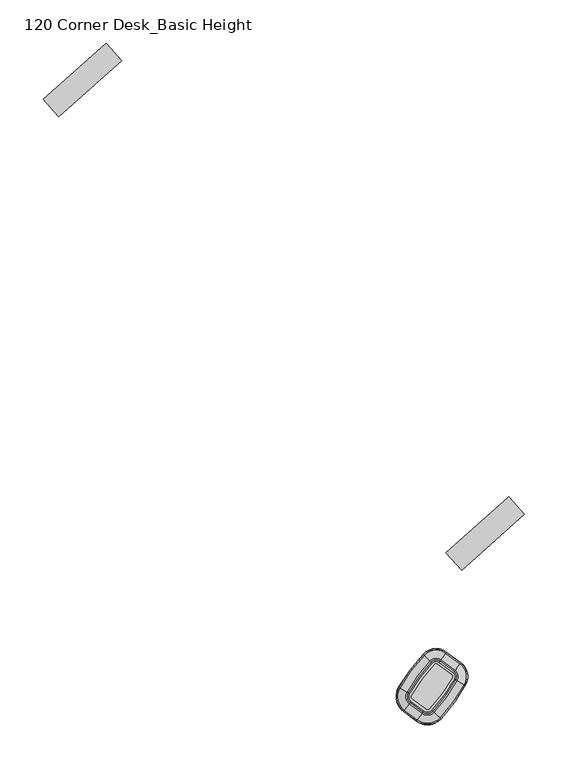
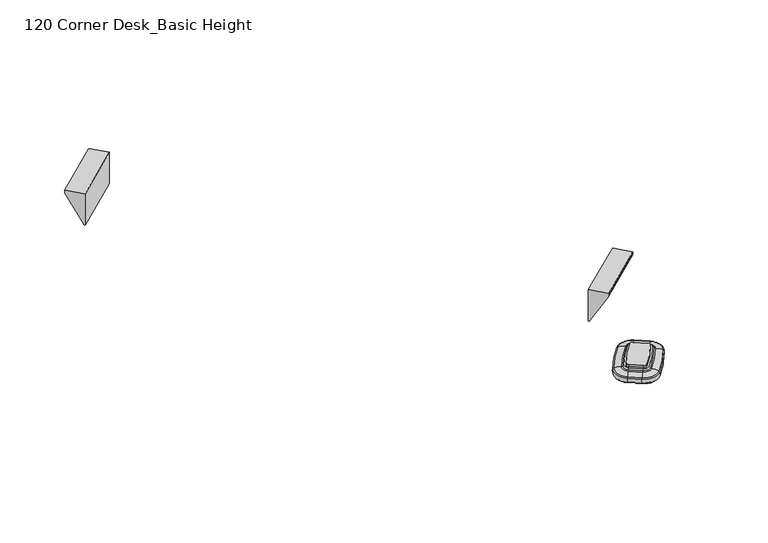
"""IFC4 building model written with IfcOpenShell, lengths in millimetres: furniture geometry, 120 Corner Desk_Basic Height."""

from ifc_helpers import new_model, si_unit, point, frame, frame_2d, origin, place, context, project, spatial, polyline, circle_curve, ellipse_curve, trimmed, segment, composite_curve, outline, extrude, source, transform, mapped, element, save
from ifc_brep_helpers import plane_surface, cylinder_surface, revolved_surface, advanced_brep


def furniture_120_corner_desk_basic_height_ebb7adcc(model_context):
    return source(origin(), model_context, "Body", "SolidModel", [
        extrude(outline(composite_curve([segment(trimmed(circle_curve(frame_2d((1459.7944338, -214.8559369)), 2.54), [point((1457.9323056, -213.1284884))], [point((1461.297453, -212.8083693))], False, "CARTESIAN"), True, "CONTINUOUS"), segment(polyline([(1461.297453, -212.8083693), (1477.9205752, -225.0105898)]), True, "CONTINUOUS"), segment(trimmed(circle_curve(frame_2d((1476.417556, -227.0581574)), 2.54), [point((1477.9205752, -225.0105898))], [point((1478.6236637, -228.3170018))], False, "CARTESIAN"), True, "CONTINUOUS"), segment(trimmed(circle_curve(frame_2d((1305.0007056, -129.2446472)), 199.9006328), [point((1478.6236637, -228.3170018))], [point((1452.8594397, -263.7736692))], False, "CARTESIAN"), True, "CONTINUOUS"), segment(trimmed(circle_curve(frame_2d((1450.0413307, -261.2096174)), 3.81), [point((1452.8594397, -263.7736692))], [point((1447.7868019, -264.2809689))], False, "CARTESIAN"), True, "CONTINUOUS"), segment(polyline([(1447.7868019, -264.2809689), (1432.8627746, -253.3259708)]), True, "CONTINUOUS"), segment(trimmed(circle_curve(frame_2d((1435.1173034, -250.2546194)), 3.81), [point((1432.8627746, -253.3259708))], [point((1431.8265492, -248.3344536))], False, "CARTESIAN"), True, "CONTINUOUS"), segment(trimmed(circle_curve(frame_2d((1604.4837287, -349.0804777)), 199.9006328), [point((1431.8265492, -248.3344536))], [point((1457.9323056, -213.1284884))], False, "CARTESIAN"), True, "CONTINUOUS")], self_intersect=False)), frame((0.0, 0.0, 695.6719265), z_axis=(0.0, 0.0, 1.0), x_axis=(1.0, 0.0, 0.0)), (0.0, 0.0, 1.0), 2.9994778),
        advanced_brep(
        [(1461.297453, -212.8083693, 679.17195), (1461.297453, -212.8083693, 695.6719265), (1457.9323056, -213.1284884, 695.6719265), (1457.9323056, -213.1284884, 679.17195), (1469.7966702, -201.2298598, 680.9412486), (1463.1863964, -210.2350559, 679.17195), (1455.5920461, -210.9574899, 679.17195), (1447.4024119, -203.3601767, 680.9412486), (1471.1741853, -199.3532667, 682.4709063), (1445.6957738, -201.7769724, 682.4709063), (1471.6850128, -198.6573648, 689.5016248), (1445.0628968, -201.1898686, 689.5016248), (1470.8410339, -199.80712, 690.8023206), (1446.1085235, -202.1598697, 690.8023206), (1465.3030456, -207.3515383, 692.9047158), (1452.9696763, -208.5247848, 692.9047158), (1464.2118768, -208.8380409, 693.8442812), (1454.3215527, -209.7788858, 693.8442812), (1463.1863964, -210.2350559, 695.6719265), (1455.5920461, -210.9574899, 695.6719265), (1477.9205752, -225.0105898, 679.17195), (1477.9205752, -225.0105898, 695.6719265), (1486.4197924, -213.4320803, 680.9412486), (1479.8095187, -222.4372764, 679.17195), (1487.7973075, -211.5554872, 682.4709063), (1488.3081351, -210.8595853, 689.5016248), (1487.4641561, -212.0093405, 690.8023206), (1481.9261678, -219.5537588, 692.9047158), (1480.834999, -221.0402614, 693.8442812), (1479.8095187, -222.4372764, 695.6719265), (1478.6236637, -228.3170018, 679.17195), (1478.6236637, -228.3170018, 695.6719265), (1491.0986792, -235.435468, 680.9412486), (1481.3962247, -229.8990745, 679.17195), (1493.120574, -236.5891972, 682.4709063), (1493.8703585, -237.0170376, 689.5016248), (1492.6315796, -236.3101683, 690.8023206), (1484.5030086, -231.6718608, 692.9047158), (1482.9014085, -230.7579592, 693.8442812), (1481.3962247, -229.8990745, 695.6719265), (1452.8594397, -263.7736692, 679.17195), (1452.8594397, -263.7736692, 695.6719265), (1463.4832652, -273.439739, 680.9412486), (1455.2205754, -265.9219446, 679.17195), (1465.2051274, -275.0063724, 682.4709063), (1465.84365, -275.5873312, 689.5016248), (1464.7886957, -274.6274828, 690.8023206), (1457.8663381, -268.3291873, 692.9047158), (1456.5024022, -267.0882125, 693.8442812), (1455.2205754, -265.9219446, 695.6719265), (1447.7868019, -264.2809689, 679.17195), (1447.7868019, -264.2809689, 695.6719265), (1439.2875847, -275.8594784, 680.9412486), (1445.8978585, -266.8542823, 679.17195), (1437.9100696, -277.7360714, 682.4709063), (1437.3992421, -278.4319733, 689.5016248), (1438.243221, -277.2822182, 690.8023206), (1443.7812093, -269.7377998, 692.9047158), (1444.8723781, -268.2512973, 693.8442812), (1445.8978585, -266.8542823, 695.6719265), (1432.8627746, -253.3259708, 679.17195), (1432.8627746, -253.3259708, 695.6719265), (1424.3635575, -264.9044803, 680.9412486), (1430.9738312, -255.8992842, 679.17195), (1422.9860423, -266.7810734, 682.4709063), (1422.4752148, -267.4769753, 689.5016248), (1423.3191938, -266.3272202, 690.8023206), (1428.8571821, -258.7828018, 692.9047158), (1429.9483509, -257.2962992, 693.8442812), (1430.9738312, -255.8992842, 695.6719265), (1431.8265492, -248.3344536, 679.17195), (1431.8265492, -248.3344536, 695.6719265), (1419.420926, -241.0957322, 680.9412486), (1429.0694105, -246.7256542, 679.17195), (1417.410278, -239.9225126, 682.4709063), (1416.6646642, -239.4874445, 689.5016248), (1417.8965524, -240.2062553, 690.8023206), (1425.9799081, -244.9229196, 692.9047158), (1427.5725994, -245.8522601, 693.8442812), (1429.0694105, -246.7256542, 695.6719265)],
        [
            (0, 1),
            (1, 2, circle_curve(frame((1459.7944338, -214.8559369, 695.6719265), z_axis=(0.0, 0.0, 1.0), x_axis=(-0.7331213567630526, 0.6800978431504551, 0.0)), 2.54)),
            (2, 3),
            (3, 0, circle_curve(frame((1459.7944338, -214.8559369, 679.17195), z_axis=(0.0, 0.0, -1.0), x_axis=(-0.7331213567630526, 0.6800978431504551, 0.0)), 2.54)),
            (4, 5, circle_curve(frame((1463.1863964, -210.2350559, 715.3217807), z_axis=(-0.8061289955728238, 0.5917398435940833, 0.0), x_axis=(-0.5917398435940833, -0.8061289955728238, 0.0)), 36.1498307)),
            (5, 6, circle_curve(frame((1459.7944338, -214.8559369, 679.17195), z_axis=(0.0, 0.0, 1.0), x_axis=(-0.7331213567630526, 0.6800978431504551, 0.0)), 5.7321856)),
            (6, 7, circle_curve(frame((1455.5920461, -210.9574899, 715.3217807), z_axis=(0.6800978431504432, 0.7331213567630637, 0.0), x_axis=(0.7331213567630637, -0.6800978431504432, 0.0)), 36.1498307)),
            (7, 4, circle_curve(frame((1459.7944338, -214.8559369, 680.9412486), z_axis=(0.0, 0.0, -1.0), x_axis=(-0.7331213567630526, 0.6800978431504551, 0.0)), 16.9030977)),
            (8, 4, circle_curve(frame((1468.8320667, -202.543942, 685.9582238), z_axis=(-0.8061289955728238, 0.5917398435940833, 0.0), x_axis=(-0.5917398435940833, -0.8061289955728238, 0.0)), 5.2751599)),
            (7, 9, circle_curve(frame((1448.5974833, -204.4688137, 685.9582238), z_axis=(0.6800978431504432, 0.7331213567630637, 0.0), x_axis=(0.7331213567630637, -0.6800978431504432, 0.0)), 5.2751599)),
            (9, 8, circle_curve(frame((1459.7944338, -214.8559369, 682.4709063), z_axis=(0.0, 0.0, -1.0), x_axis=(-0.7331213567630526, 0.6800978431504551, 0.0)), 19.2310044)),
            (10, 8, circle_curve(frame((1463.9496274, -209.1953041, 687.5383413), z_axis=(-0.8061289955728238, 0.5917398435940833, 0.0), x_axis=(-0.5917398435940833, -0.8061289955728238, 0.0)), 13.2188817)),
            (9, 11, circle_curve(frame((1454.6464601, -210.0802941, 687.5383413), z_axis=(0.6800978431504432, 0.7331213567630637, 0.0), x_axis=(0.7331213567630637, -0.6800978431504432, 0.0)), 13.2188817)),
            (11, 10, circle_curve(frame((1459.7944338, -214.8559369, 689.5016248), z_axis=(0.0, 0.0, -1.0), x_axis=(-0.7331213567630526, 0.6800978431504551, 0.0)), 20.0942681)),
            (12, 10, circle_curve(frame((1470.0825269, -200.8404364, 687.9644178), z_axis=(-0.8061289955728238, 0.5917398435940833, 0.0), x_axis=(-0.5917398435940833, -0.8061289955728238, 0.0)), 3.1139634)),
            (11, 13, circle_curve(frame((1447.0482569, -203.0316362, 687.9644178), z_axis=(0.6800978431504432, 0.7331213567630637, 0.0), x_axis=(0.7331213567630637, -0.6800978431504432, 0.0)), 3.1139634)),
            (13, 12, circle_curve(frame((1459.7944338, -214.8559369, 690.8023206), z_axis=(0.0, 0.0, -1.0), x_axis=(-0.7331213567630526, 0.6800978431504551, 0.0)), 18.6680011)),
            (14, 12, circle_curve(frame((1465.0542468, -207.6904777, 669.1514467), z_axis=(-0.8061289955728235, 0.5917398435940838, 0.0), x_axis=(-0.5917398435940838, -0.8061289955728235, 0.0)), 23.7569901)),
            (13, 15, circle_curve(frame((1453.2779194, -208.810734, 669.1514467), z_axis=(0.6800978431504432, 0.7331213567630637, 0.0), x_axis=(0.7331213567630637, -0.6800978431504432, 0.0)), 23.7569901)),
            (15, 14, circle_curve(frame((1459.7944338, -214.8559369, 692.9047158), z_axis=(0.0, 0.0, -1.0), x_axis=(-0.7331213567630526, 0.6800978431504551, 0.0)), 9.3091784)),
            (16, 14),
            (15, 17),
            (17, 16, circle_curve(frame((1459.7944338, -214.8559369, 693.8442812), z_axis=(0.0, 0.0, -1.0), x_axis=(-0.7331213567630526, 0.6800978431504551, 0.0)), 7.4651775)),
            (18, 16),
            (17, 19),
            (19, 18, circle_curve(frame((1459.7944338, -214.8559369, 695.6719265), z_axis=(0.0, 0.0, -1.0), x_axis=(-0.7331213567630526, 0.6800978431504551, 0.0)), 5.7321856)),
            (0, 20),
            (20, 21),
            (21, 1),
            (4, 22),
            (22, 23, circle_curve(frame((1479.8095187, -222.4372764, 715.3217807), z_axis=(-0.8061289955728254, 0.5917398435940813, 0.0), x_axis=(-0.5917398435940813, -0.8061289955728254, 0.0)), 36.1498307)),
            (23, 5),
            (8, 24),
            (24, 22, circle_curve(frame((1485.455189, -214.7461625, 685.9582238), z_axis=(-0.8061289955728254, 0.5917398435940813, 0.0), x_axis=(-0.5917398435940813, -0.8061289955728254, 0.0)), 5.2751599)),
            (10, 25),
            (25, 24, circle_curve(frame((1480.5727496, -221.3975246, 687.5383413), z_axis=(-0.8061289955728254, 0.5917398435940813, 0.0), x_axis=(-0.5917398435940813, -0.8061289955728254, 0.0)), 13.2188817)),
            (12, 26),
            (26, 25, circle_curve(frame((1486.7056491, -213.0426569, 687.9644178), z_axis=(-0.8061289955728254, 0.5917398435940813, 0.0), x_axis=(-0.5917398435940813, -0.8061289955728254, 0.0)), 3.1139634)),
            (14, 27),
            (27, 26, circle_curve(frame((1481.677369, -219.8926982, 669.1514467), z_axis=(-0.8061289955728254, 0.5917398435940813, 0.0), x_axis=(-0.5917398435940813, -0.8061289955728254, 0.0)), 23.7569901)),
            (16, 28),
            (28, 27),
            (18, 29),
            (29, 28),
            (30, 31),
            (31, 21, circle_curve(frame((1476.417556, -227.0581574, 695.6719265), z_axis=(0.0, 0.0, 1.0), x_axis=(0.5917398435940958, 0.8061289955728147, 0.0)), 2.54)),
            (20, 30, circle_curve(frame((1476.417556, -227.0581574, 679.17195), z_axis=(0.0, 0.0, -1.0), x_axis=(0.5917398435940958, 0.8061289955728147, 0.0)), 2.54)),
            (32, 33, circle_curve(frame((1481.3962247, -229.8990745, 715.3217807), z_axis=(0.4956080089430083, 0.8685463150987096, 0.0), x_axis=(-0.8685463150987096, 0.4956080089430083, 0.0)), 36.1498307)),
            (33, 23, circle_curve(frame((1476.417556, -227.0581574, 679.17195), z_axis=(0.0, 0.0, 1.0), x_axis=(0.5917398435940958, 0.8061289955728147, 0.0)), 5.7321856)),
            (22, 32, circle_curve(frame((1476.417556, -227.0581574, 680.9412486), z_axis=(0.0, 0.0, -1.0), x_axis=(0.5917398435940958, 0.8061289955728147, 0.0)), 16.9030977)),
            (34, 32, circle_curve(frame((1489.6828497, -234.6275704, 685.9582238), z_axis=(0.4956080089430085, 0.8685463150987095, 0.0), x_axis=(-0.8685463150987095, 0.4956080089430085, 0.0)), 5.2751599)),
            (24, 34, circle_curve(frame((1476.417556, -227.0581574, 682.4709063), z_axis=(0.0, 0.0, -1.0), x_axis=(0.5917398435940958, 0.8061289955728147, 0.0)), 19.2310044)),
            (35, 34, circle_curve(frame((1482.5164829, -230.5383138, 687.5383413), z_axis=(0.4956080089430085, 0.8685463150987095, 0.0), x_axis=(-0.8685463150987095, 0.4956080089430085, 0.0)), 13.2188817)),
            (25, 35, circle_curve(frame((1476.417556, -227.0581574, 689.5016248), z_axis=(0.0, 0.0, -1.0), x_axis=(0.5917398435940958, 0.8061289955728147, 0.0)), 20.0942681)),
            (36, 35, circle_curve(frame((1491.5182551, -235.6748855, 687.9644178), z_axis=(0.4956080089430083, 0.8685463150987096, 0.0), x_axis=(-0.8685463150987096, 0.4956080089430083, 0.0)), 3.1139634)),
            (26, 36, circle_curve(frame((1476.417556, -227.0581574, 690.8023206), z_axis=(0.0, 0.0, -1.0), x_axis=(0.5917398435940958, 0.8061289955728147, 0.0)), 18.6680011)),
            (37, 36, circle_curve(frame((1484.1378257, -231.4634809, 669.1514467), z_axis=(0.49560800894300816, 0.8685463150987097, 0.0), x_axis=(-0.8685463150987097, 0.49560800894300816, 0.0)), 23.7569901)),
            (27, 37, circle_curve(frame((1476.417556, -227.0581574, 692.9047158), z_axis=(0.0, 0.0, -1.0), x_axis=(0.5917398435940958, 0.8061289955728147, 0.0)), 9.3091784)),
            (38, 37),
            (28, 38, circle_curve(frame((1476.417556, -227.0581574, 693.8442812), z_axis=(0.0, 0.0, -1.0), x_axis=(0.5917398435940958, 0.8061289955728147, 0.0)), 7.4651775)),
            (39, 38),
            (29, 39, circle_curve(frame((1476.417556, -227.0581574, 695.6719265), z_axis=(0.0, 0.0, -1.0), x_axis=(0.5917398435940958, 0.8061289955728147, 0.0)), 5.7321856)),
            (40, 41),
            (41, 31, circle_curve(frame((1305.0007056, -129.2446472, 695.6719265), z_axis=(0.0, 0.0, 1.0), x_axis=(0.8685463150987014, -0.4956080089430229, 0.0)), 199.9006328)),
            (30, 40, circle_curve(frame((1305.0007056, -129.2446472, 679.17195), z_axis=(0.0, 0.0, -1.0), x_axis=(0.8685463150987014, -0.4956080089430229, 0.0)), 199.9006328)),
            (42, 43, circle_curve(frame((1455.2205754, -265.9219446, 715.3217807), z_axis=(0.6729794704009864, 0.7396611605450216, 0.0), x_axis=(-0.7396611605450216, 0.6729794704009864, 0.0)), 36.1498307)),
            (43, 33, circle_curve(frame((1305.0007056, -129.2446472, 679.17195), z_axis=(0.0, 0.0, 1.0), x_axis=(0.8685463150987014, -0.4956080089430229, 0.0)), 203.0928185)),
            (32, 42, circle_curve(frame((1305.0007056, -129.2446472, 680.9412486), z_axis=(0.0, 0.0, -1.0), x_axis=(0.8685463150987014, -0.4956080089430229, 0.0)), 214.2637305)),
            (44, 42, circle_curve(frame((1462.2775331, -272.3427057, 685.9582238), z_axis=(0.6729794704009839, 0.7396611605450238, 0.0), x_axis=(-0.7396611605450238, 0.6729794704009839, 0.0)), 5.2751599)),
            (34, 44, circle_curve(frame((1305.0007056, -129.2446472, 682.4709063), z_axis=(0.0, 0.0, -1.0), x_axis=(0.8685463150987014, -0.4956080089430229, 0.0)), 216.5916372)),
            (45, 44, circle_curve(frame((1456.1745965, -266.789959, 687.5383413), z_axis=(0.672979470400983, 0.7396611605450246, 0.0), x_axis=(-0.7396611605450246, 0.672979470400983, 0.0)), 13.2188817)),
            (35, 45, circle_curve(frame((1305.0007056, -129.2446472, 689.5016248), z_axis=(0.0, 0.0, -1.0), x_axis=(0.8685463150987014, -0.4956080089430229, 0.0)), 217.4549009)),
            (46, 45, circle_curve(frame((1463.8405795, -273.7648408, 687.9644178), z_axis=(0.6729794704009845, 0.7396611605450232, 0.0), x_axis=(-0.7396611605450232, 0.6729794704009845, 0.0)), 3.1139634)),
            (36, 46, circle_curve(frame((1305.0007056, -129.2446472, 690.8023206), z_axis=(0.0, 0.0, -1.0), x_axis=(0.8685463150987014, -0.4956080089430229, 0.0)), 216.0286339)),
            (47, 46, circle_curve(frame((1457.5553453, -268.046231, 669.1514467), z_axis=(0.6729794704009946, 0.7396611605450141, 0.0), x_axis=(-0.7396611605450141, 0.6729794704009946, 0.0)), 23.7569901)),
            (37, 47, circle_curve(frame((1305.0007056, -129.2446472, 692.9047158), z_axis=(0.0, 0.0, -1.0), x_axis=(0.8685463150987014, -0.4956080089430229, 0.0)), 206.6698112)),
            (48, 47),
            (38, 48, circle_curve(frame((1305.0007056, -129.2446472, 693.8442812), z_axis=(0.0, 0.0, -1.0), x_axis=(0.8685463150987014, -0.4956080089430229, 0.0)), 204.8258103)),
            (49, 48),
            (39, 49, circle_curve(frame((1305.0007056, -129.2446472, 695.6719265), z_axis=(0.0, 0.0, -1.0), x_axis=(0.8685463150987014, -0.4956080089430229, 0.0)), 203.0928185)),
            (50, 51),
            (51, 41, circle_curve(frame((1450.0413307, -261.2096174, 695.6719265), z_axis=(0.0, 0.0, 1.0), x_axis=(0.7396611605452146, -0.6729794704007742, 0.0)), 3.81)),
            (40, 50, circle_curve(frame((1450.0413307, -261.2096174, 679.17195), z_axis=(0.0, 0.0, -1.0), x_axis=(0.7396611605452146, -0.6729794704007742, 0.0)), 3.81)),
            (52, 53, circle_curve(frame((1445.8978585, -266.8542823, 715.3217807), z_axis=(0.8061289955728242, -0.591739843594083, 0.0), x_axis=(0.591739843594083, 0.8061289955728242, 0.0)), 36.1498307)),
            (53, 43, circle_curve(frame((1450.0413307, -261.2096174, 679.17195), z_axis=(0.0, 0.0, 1.0), x_axis=(0.7396611605452146, -0.6729794704007742, 0.0)), 7.0021856)),
            (42, 52, circle_curve(frame((1450.0413307, -261.2096174, 680.9412486), z_axis=(0.0, 0.0, -1.0), x_axis=(0.7396611605452146, -0.6729794704007742, 0.0)), 18.1730977)),
            (54, 52, circle_curve(frame((1440.2521882, -274.5453961, 685.9582238), z_axis=(0.8061289955728242, -0.591739843594083, 0.0), x_axis=(0.591739843594083, 0.8061289955728242, 0.0)), 5.2751599)),
            (44, 54, circle_curve(frame((1450.0413307, -261.2096174, 682.4709063), z_axis=(0.0, 0.0, -1.0), x_axis=(0.7396611605452146, -0.6729794704007742, 0.0)), 20.5010044)),
            (55, 54, circle_curve(frame((1445.1346275, -267.8940341, 687.5383413), z_axis=(0.8061289955728242, -0.591739843594083, 0.0), x_axis=(0.591739843594083, 0.8061289955728242, 0.0)), 13.2188817)),
            (45, 55, circle_curve(frame((1450.0413307, -261.2096174, 689.5016248), z_axis=(0.0, 0.0, -1.0), x_axis=(0.7396611605452146, -0.6729794704007742, 0.0)), 21.3642681)),
            (56, 55, circle_curve(frame((1439.001728, -276.2489018, 687.9644178), z_axis=(0.8061289955728242, -0.591739843594083, 0.0), x_axis=(0.591739843594083, 0.8061289955728242, 0.0)), 3.1139634)),
            (46, 56, circle_curve(frame((1450.0413307, -261.2096174, 690.8023206), z_axis=(0.0, 0.0, -1.0), x_axis=(0.7396611605452146, -0.6729794704007742, 0.0)), 19.9380011)),
            (57, 56, circle_curve(frame((1444.0300081, -269.3988605, 669.1514467), z_axis=(0.806128995572824, -0.5917398435940833, 0.0), x_axis=(0.5917398435940833, 0.806128995572824, 0.0)), 23.7569901)),
            (47, 57, circle_curve(frame((1450.0413307, -261.2096174, 692.9047158), z_axis=(0.0, 0.0, -1.0), x_axis=(0.7396611605452146, -0.6729794704007742, 0.0)), 10.5791784)),
            (58, 57),
            (48, 58, circle_curve(frame((1450.0413307, -261.2096174, 693.8442812), z_axis=(0.0, 0.0, -1.0), x_axis=(0.7396611605452146, -0.6729794704007742, 0.0)), 8.7351775)),
            (59, 58),
            (49, 59, circle_curve(frame((1450.0413307, -261.2096174, 695.6719265), z_axis=(0.0, 0.0, -1.0), x_axis=(0.7396611605452146, -0.6729794704007742, 0.0)), 7.0021856)),
            (50, 60),
            (60, 61),
            (61, 51),
            (52, 62),
            (62, 63, circle_curve(frame((1430.9738312, -255.8992842, 715.3217807), z_axis=(0.8061289955728238, -0.5917398435940835, 0.0), x_axis=(0.5917398435940835, 0.8061289955728238, 0.0)), 36.1498307)),
            (63, 53),
            (54, 64),
            (64, 62, circle_curve(frame((1425.3281609, -263.5903981, 685.9582238), z_axis=(0.8061289955728238, -0.5917398435940835, 0.0), x_axis=(0.5917398435940835, 0.8061289955728238, 0.0)), 5.2751599)),
            (55, 65),
            (65, 64, circle_curve(frame((1430.2106003, -256.9390361, 687.5383413), z_axis=(0.8061289955728238, -0.5917398435940835, 0.0), x_axis=(0.5917398435940835, 0.8061289955728238, 0.0)), 13.2188817)),
            (56, 66),
            (66, 65, circle_curve(frame((1424.0777008, -265.2939038, 687.9644178), z_axis=(0.8061289955728238, -0.5917398435940835, 0.0), x_axis=(0.5917398435940835, 0.8061289955728238, 0.0)), 3.1139634)),
            (57, 67),
            (67, 66, circle_curve(frame((1429.1059808, -258.4438625, 669.1514467), z_axis=(0.8061289955728238, -0.5917398435940835, 0.0), x_axis=(0.5917398435940835, 0.8061289955728238, 0.0)), 23.7569901)),
            (58, 68),
            (68, 67),
            (59, 69),
            (69, 68),
            (70, 71),
            (71, 61, circle_curve(frame((1435.1173034, -250.2546194, 695.6719265), z_axis=(0.0, 0.0, 1.0), x_axis=(-0.5917398435940958, -0.8061289955728147, 0.0)), 3.81)),
            (60, 70, circle_curve(frame((1435.1173034, -250.2546194, 679.17195), z_axis=(0.0, 0.0, -1.0), x_axis=(-0.5917398435940958, -0.8061289955728147, 0.0)), 3.81)),
            (72, 73, circle_curve(frame((1429.0694105, -246.7256542, 715.3217807), z_axis=(-0.5039805159176775, -0.8637150222008134, 0.0), x_axis=(0.8637150222008134, -0.5039805159176775, 0.0)), 36.1498307)),
            (73, 63, circle_curve(frame((1435.1173034, -250.2546194, 679.17195), z_axis=(0.0, 0.0, 1.0), x_axis=(-0.5917398435940958, -0.8061289955728147, 0.0)), 7.0021856)),
            (62, 72, circle_curve(frame((1435.1173034, -250.2546194, 680.9412486), z_axis=(0.0, 0.0, -1.0), x_axis=(-0.5917398435940958, -0.8061289955728147, 0.0)), 18.1730977)),
            (74, 72, circle_curve(frame((1420.82888, -241.9172779, 685.9582238), z_axis=(-0.5039805159176777, -0.8637150222008133, 0.0), x_axis=(0.8637150222008133, -0.5039805159176777, 0.0)), 5.2751599)),
            (64, 74, circle_curve(frame((1435.1173034, -250.2546194, 682.4709063), z_axis=(0.0, 0.0, -1.0), x_axis=(-0.5917398435940958, -0.8061289955728147, 0.0)), 20.5010044)),
            (75, 74, circle_curve(frame((1427.9553838, -246.075616, 687.5383413), z_axis=(-0.5039805159176777, -0.8637150222008133, 0.0), x_axis=(0.8637150222008133, -0.5039805159176777, 0.0)), 13.2188817)),
            (65, 75, circle_curve(frame((1435.1173034, -250.2546194, 689.5016248), z_axis=(0.0, 0.0, -1.0), x_axis=(-0.5917398435940958, -0.8061289955728147, 0.0)), 21.3642681)),
            (76, 75, circle_curve(frame((1419.003684, -240.8522702, 687.9644178), z_axis=(-0.5039805159176777, -0.8637150222008133, 0.0), x_axis=(0.8637150222008133, -0.5039805159176777, 0.0)), 3.1139634)),
            (66, 76, circle_curve(frame((1435.1173034, -250.2546194, 690.8023206), z_axis=(0.0, 0.0, -1.0), x_axis=(-0.5917398435940958, -0.8061289955728147, 0.0)), 19.9380011)),
            (77, 76, circle_curve(frame((1426.3430597, -245.1348197, 669.1514467), z_axis=(-0.5039805159176777, -0.8637150222008133, 0.0), x_axis=(0.8637150222008133, -0.5039805159176777, 0.0)), 23.7569901)),
            (67, 77, circle_curve(frame((1435.1173034, -250.2546194, 692.9047158), z_axis=(0.0, 0.0, -1.0), x_axis=(-0.5917398435940958, -0.8061289955728147, 0.0)), 10.5791784)),
            (78, 77),
            (68, 78, circle_curve(frame((1435.1173034, -250.2546194, 693.8442812), z_axis=(0.0, 0.0, -1.0), x_axis=(-0.5917398435940958, -0.8061289955728147, 0.0)), 8.7351775)),
            (79, 78),
            (69, 79, circle_curve(frame((1435.1173034, -250.2546194, 695.6719265), z_axis=(0.0, 0.0, -1.0), x_axis=(-0.5917398435940958, -0.8061289955728147, 0.0)), 7.0021856)),
            (2, 71, circle_curve(frame((1604.4837287, -349.0804777, 695.6719265), z_axis=(0.0, 0.0, 1.0), x_axis=(-0.8637150222008051, 0.5039805159176918, 0.0)), 199.9006328)),
            (70, 3, circle_curve(frame((1604.4837287, -349.0804777, 679.17195), z_axis=(0.0, 0.0, -1.0), x_axis=(-0.8637150222008051, 0.5039805159176918, 0.0)), 199.9006328)),
            (73, 6, circle_curve(frame((1604.4837287, -349.0804777, 679.17195), z_axis=(0.0, 0.0, -1.0), x_axis=(-0.8637150222008051, 0.5039805159176918, 0.0)), 203.0928185)),
            (72, 7, circle_curve(frame((1604.4837287, -349.0804777, 680.9412486), z_axis=(0.0, 0.0, -1.0), x_axis=(-0.8637150222008051, 0.5039805159176918, 0.0)), 214.2637305)),
            (74, 9, circle_curve(frame((1604.4837287, -349.0804777, 682.4709063), z_axis=(0.0, 0.0, -1.0), x_axis=(-0.8637150222008051, 0.5039805159176918, 0.0)), 216.5916372)),
            (75, 11, circle_curve(frame((1604.4837287, -349.0804777, 689.5016248), z_axis=(0.0, 0.0, -1.0), x_axis=(-0.8637150222008051, 0.5039805159176918, 0.0)), 217.4549009)),
            (76, 13, circle_curve(frame((1604.4837287, -349.0804777, 690.8023206), z_axis=(0.0, 0.0, -1.0), x_axis=(-0.8637150222008051, 0.5039805159176918, 0.0)), 216.0286339)),
            (77, 15, circle_curve(frame((1604.4837287, -349.0804777, 692.9047158), z_axis=(0.0, 0.0, -1.0), x_axis=(-0.8637150222008051, 0.5039805159176918, 0.0)), 206.6698112)),
            (78, 17, circle_curve(frame((1604.4837287, -349.0804777, 693.8442812), z_axis=(0.0, 0.0, -1.0), x_axis=(-0.8637150222008051, 0.5039805159176918, 0.0)), 204.8258103)),
            (79, 19, circle_curve(frame((1604.4837287, -349.0804777, 695.6719265), z_axis=(0.0, 0.0, -1.0), x_axis=(-0.8637150222008051, 0.5039805159176918, 0.0)), 203.0928185)),
        ],
        [
            revolved_surface(polyline([(1457.9323055538218, -213.12848837839783, 695.6719265), (1457.9323055538218, -213.12848837839783, 679.17195)]), (1459.7944338, -214.8559369, 149.86), (0.0, 0.0, 1.0)),
            revolved_surface(trimmed(ellipse_curve(frame((1455.5920461, -210.9574899, 715.3217807), z_axis=(0.6800978431504432, 0.7331213567630637, 0.0), x_axis=(0.7331213567630637, -0.6800978431504432, 0.0)), 36.1498307, 36.1498307), [point((1455.5920461, -210.9574899, 679.17195))], [point((1447.4024119, -203.3601767, 680.9412486))], True, "CARTESIAN"), (1459.7944338, -214.8559369, 149.86), (0.0, 0.0, 1.0)),
            revolved_surface(trimmed(ellipse_curve(frame((1448.5974833, -204.4688137, 685.9582238), z_axis=(0.6800978431504432, 0.7331213567630637, 0.0), x_axis=(0.7331213567630637, -0.6800978431504432, 0.0)), 5.2751599, 5.2751599), [point((1447.4024119, -203.3601767, 680.9412486))], [point((1445.6957738, -201.7769724, 682.4709063))], True, "CARTESIAN"), (1459.7944338, -214.8559369, 149.86), (0.0, 0.0, 1.0)),
            revolved_surface(trimmed(ellipse_curve(frame((1454.6464601, -210.0802941, 687.5383413), z_axis=(0.6800978431504432, 0.7331213567630637, 0.0), x_axis=(0.7331213567630637, -0.6800978431504432, 0.0)), 13.2188817, 13.2188817), [point((1445.6957738, -201.7769724, 682.4709063))], [point((1445.0628968, -201.1898686, 689.5016248))], True, "CARTESIAN"), (1459.7944338, -214.8559369, 149.86), (0.0, 0.0, 1.0)),
            revolved_surface(trimmed(ellipse_curve(frame((1447.0482569, -203.0316362, 687.9644178), z_axis=(0.6800978431504432, 0.7331213567630637, 0.0), x_axis=(0.7331213567630637, -0.6800978431504432, 0.0)), 3.1139634, 3.1139634), [point((1445.0628968, -201.1898686, 689.5016248))], [point((1446.1085235, -202.1598697, 690.8023206))], True, "CARTESIAN"), (1459.7944338, -214.8559369, 149.86), (0.0, 0.0, 1.0)),
            revolved_surface(trimmed(ellipse_curve(frame((1453.2779194, -208.810734, 669.1514467), z_axis=(0.6800978431504432, 0.7331213567630637, 0.0), x_axis=(0.7331213567630637, -0.6800978431504432, 0.0)), 23.7569901, 23.7569901), [point((1446.1085235, -202.1598697, 690.8023206))], [point((1452.9696763, -208.5247848, 692.9047158))], True, "CARTESIAN"), (1459.7944338, -214.8559369, 149.86), (0.0, 0.0, 1.0)),
            revolved_surface(polyline([(1452.9696763, -208.5247848, 692.9047158), (1454.3215527, -209.7788858, 693.8442812)]), (1459.7944338, -214.8559369, 149.86), (0.0, 0.0, 1.0)),
            revolved_surface(polyline([(1454.3215527, -209.7788858, 693.8442812), (1455.5920461, -210.9574899, 695.6719265)]), (1459.7944338, -214.8559369, 149.86), (0.0, 0.0, 1.0)),
            plane_surface(frame((1461.297453, -212.8083693, 695.6719265), z_axis=(-0.5917398435940958, -0.8061289955728147, 0.0), x_axis=(0.8061289955728147, -0.5917398435940958, 0.0))),
            cylinder_surface(frame((1463.1863964, -210.2350559, 715.3217807), z_axis=(-0.8061289955728254, 0.5917398435940813, 0.0), x_axis=(-0.5917398435940813, -0.8061289955728254, 0.0)), 36.1498307),
            cylinder_surface(frame((1468.8320667, -202.543942, 685.9582238), z_axis=(-0.8061289955728254, 0.5917398435940813, 0.0), x_axis=(-0.5917398435940813, -0.8061289955728254, 0.0)), 5.2751599),
            cylinder_surface(frame((1463.9496274, -209.1953041, 687.5383413), z_axis=(-0.8061289955728254, 0.5917398435940813, 0.0), x_axis=(-0.5917398435940813, -0.8061289955728254, 0.0)), 13.2188817),
            cylinder_surface(frame((1470.0825269, -200.8404364, 687.9644178), z_axis=(-0.8061289955728254, 0.5917398435940813, 0.0), x_axis=(-0.5917398435940813, -0.8061289955728254, 0.0)), 3.1139634),
            cylinder_surface(frame((1465.0542468, -207.6904777, 669.1514467), z_axis=(-0.8061289955728254, 0.5917398435940813, 0.0), x_axis=(-0.5917398435940813, -0.8061289955728254, 0.0)), 23.7569901),
            plane_surface(frame((1465.3030456, -207.3515383, 692.9047158), z_axis=(0.2686442673090759, 0.36597490555463147, 0.8910065241883748), x_axis=(0.8061289955728167, -0.5917398435940933, 0.0))),
            plane_surface(frame((1464.2118768, -208.8380409, 693.8442812), z_axis=(0.4293946252718652, 0.5849656089952533, 0.6880664881248375), x_axis=(0.8061289955728167, -0.5917398435940933, 0.0))),
            revolved_surface(polyline([(1477.9205752027292, -225.01058975124505, 695.6719265), (1477.9205752027292, -225.01058975124505, 679.17195)]), (1476.417556, -227.0581574, 149.86), (0.0, 0.0, 1.0)),
            revolved_surface(trimmed(ellipse_curve(frame((1479.8095187, -222.4372764, 715.3217807), z_axis=(0.8061289955728242, -0.5917398435940827, 0.0), x_axis=(-0.5917398435940827, -0.8061289955728242, 0.0)), 36.1498307, 36.1498307), [point((1479.8095187, -222.4372764, 679.17195))], [point((1486.4197924, -213.4320803, 680.9412486))], True, "CARTESIAN"), (1476.417556, -227.0581574, 149.86), (0.0, 0.0, 1.0)),
            revolved_surface(trimmed(ellipse_curve(frame((1485.455189, -214.7461625, 685.9582238), z_axis=(0.8061289955728242, -0.5917398435940827, 0.0), x_axis=(-0.5917398435940827, -0.8061289955728242, 0.0)), 5.2751599, 5.2751599), [point((1486.4197924, -213.4320803, 680.9412486))], [point((1487.7973075, -211.5554872, 682.4709063))], True, "CARTESIAN"), (1476.417556, -227.0581574, 149.86), (0.0, 0.0, 1.0)),
            revolved_surface(trimmed(ellipse_curve(frame((1480.5727496, -221.3975246, 687.5383413), z_axis=(0.8061289955728242, -0.5917398435940827, 0.0), x_axis=(-0.5917398435940827, -0.8061289955728242, 0.0)), 13.2188817, 13.2188817), [point((1487.7973075, -211.5554872, 682.4709063))], [point((1488.3081351, -210.8595853, 689.5016248))], True, "CARTESIAN"), (1476.417556, -227.0581574, 149.86), (0.0, 0.0, 1.0)),
            revolved_surface(trimmed(ellipse_curve(frame((1486.7056491, -213.0426569, 687.9644178), z_axis=(0.8061289955728242, -0.5917398435940827, 0.0), x_axis=(-0.5917398435940827, -0.8061289955728242, 0.0)), 3.1139634, 3.1139634), [point((1488.3081351, -210.8595853, 689.5016248))], [point((1487.4641561, -212.0093405, 690.8023206))], True, "CARTESIAN"), (1476.417556, -227.0581574, 149.86), (0.0, 0.0, 1.0)),
            revolved_surface(trimmed(ellipse_curve(frame((1481.677369, -219.8926982, 669.1514467), z_axis=(0.8061289955728242, -0.5917398435940827, 0.0), x_axis=(-0.5917398435940827, -0.8061289955728242, 0.0)), 23.7569901, 23.7569901), [point((1487.4641561, -212.0093405, 690.8023206))], [point((1481.9261678, -219.5537588, 692.9047158))], True, "CARTESIAN"), (1476.417556, -227.0581574, 149.86), (0.0, 0.0, 1.0)),
            revolved_surface(polyline([(1481.9261678, -219.5537588, 692.9047158), (1480.834999, -221.0402614, 693.8442812)]), (1476.417556, -227.0581574, 149.86), (0.0, 0.0, 1.0)),
            revolved_surface(polyline([(1480.834999, -221.0402614, 693.8442812), (1479.8095187, -222.4372764, 695.6719265)]), (1476.417556, -227.0581574, 149.86), (0.0, 0.0, 1.0)),
            revolved_surface(polyline([(1478.6236636043386, -228.31700180845837, 695.6719265), (1478.6236636043386, -228.31700180845837, 679.17195)]), (1305.0007056, -129.2446472, 149.86), (0.0, 0.0, 1.0)),
            revolved_surface(trimmed(ellipse_curve(frame((1481.3962247, -229.8990745, 715.3217807), z_axis=(-0.4956080089430088, -0.8685463150987095, 0.0), x_axis=(-0.8685463150987095, 0.4956080089430088, 0.0)), 36.1498307, 36.1498307), [point((1481.3962247, -229.8990745, 679.17195))], [point((1491.0986792, -235.435468, 680.9412486))], True, "CARTESIAN"), (1305.0007056, -129.2446472, 149.86), (0.0, 0.0, 1.0)),
            revolved_surface(trimmed(ellipse_curve(frame((1489.6828497, -234.6275704, 685.9582238), z_axis=(-0.4956080089430088, -0.8685463150987095, 0.0), x_axis=(-0.8685463150987095, 0.4956080089430088, 0.0)), 5.2751599, 5.2751599), [point((1491.0986792, -235.435468, 680.9412486))], [point((1493.120574, -236.5891972, 682.4709063))], True, "CARTESIAN"), (1305.0007056, -129.2446472, 149.86), (0.0, 0.0, 1.0)),
            revolved_surface(trimmed(ellipse_curve(frame((1482.5164829, -230.5383138, 687.5383413), z_axis=(-0.4956080089430088, -0.8685463150987095, 0.0), x_axis=(-0.8685463150987095, 0.4956080089430088, 0.0)), 13.2188817, 13.2188817), [point((1493.120574, -236.5891972, 682.4709063))], [point((1493.8703585, -237.0170376, 689.5016248))], True, "CARTESIAN"), (1305.0007056, -129.2446472, 149.86), (0.0, 0.0, 1.0)),
            revolved_surface(trimmed(ellipse_curve(frame((1491.5182551, -235.6748855, 687.9644178), z_axis=(-0.4956080089430088, -0.8685463150987095, 0.0), x_axis=(-0.8685463150987095, 0.4956080089430088, 0.0)), 3.1139634, 3.1139634), [point((1493.8703585, -237.0170376, 689.5016248))], [point((1492.6315796, -236.3101683, 690.8023206))], True, "CARTESIAN"), (1305.0007056, -129.2446472, 149.86), (0.0, 0.0, 1.0)),
            revolved_surface(trimmed(ellipse_curve(frame((1484.1378257, -231.4634809, 669.1514467), z_axis=(-0.4956080089430088, -0.8685463150987095, 0.0), x_axis=(-0.8685463150987095, 0.4956080089430088, 0.0)), 23.7569901, 23.7569901), [point((1492.6315796, -236.3101683, 690.8023206))], [point((1484.5030086, -231.6718608, 692.9047158))], True, "CARTESIAN"), (1305.0007056, -129.2446472, 149.86), (0.0, 0.0, 1.0)),
            revolved_surface(polyline([(1484.5030086, -231.6718608, 692.9047158), (1482.9014085, -230.7579592, 693.8442812)]), (1305.0007056, -129.2446472, 149.86), (0.0, 0.0, 1.0)),
            revolved_surface(polyline([(1482.9014085, -230.7579592, 693.8442812), (1481.3962247, -229.8990745, 695.6719265)]), (1305.0007056, -129.2446472, 149.86), (0.0, 0.0, 1.0)),
            revolved_surface(polyline([(1452.859439721677, -263.77366918222697, 695.6719265), (1452.859439721677, -263.77366918222697, 679.17195)]), (1450.0413307, -261.2096174, 149.86), (0.0, 0.0, 1.0)),
            revolved_surface(trimmed(ellipse_curve(frame((1455.2205754, -265.9219446, 715.3217807), z_axis=(-0.6729794704007621, -0.7396611605452256, 0.0), x_axis=(-0.7396611605452256, 0.6729794704007621, 0.0)), 36.1498307, 36.1498307), [point((1455.2205754, -265.9219446, 679.17195))], [point((1463.4832652, -273.439739, 680.9412486))], True, "CARTESIAN"), (1450.0413307, -261.2096174, 149.86), (0.0, 0.0, 1.0)),
            revolved_surface(trimmed(ellipse_curve(frame((1462.2775331, -272.3427057, 685.9582238), z_axis=(-0.6729794704007621, -0.7396611605452256, 0.0), x_axis=(-0.7396611605452256, 0.6729794704007621, 0.0)), 5.2751599, 5.2751599), [point((1463.4832652, -273.439739, 680.9412486))], [point((1465.2051274, -275.0063724, 682.4709063))], True, "CARTESIAN"), (1450.0413307, -261.2096174, 149.86), (0.0, 0.0, 1.0)),
            revolved_surface(trimmed(ellipse_curve(frame((1456.1745965, -266.789959, 687.5383413), z_axis=(-0.6729794704007621, -0.7396611605452256, 0.0), x_axis=(-0.7396611605452256, 0.6729794704007621, 0.0)), 13.2188817, 13.2188817), [point((1465.2051274, -275.0063724, 682.4709063))], [point((1465.84365, -275.5873312, 689.5016248))], True, "CARTESIAN"), (1450.0413307, -261.2096174, 149.86), (0.0, 0.0, 1.0)),
            revolved_surface(trimmed(ellipse_curve(frame((1463.8405795, -273.7648408, 687.9644178), z_axis=(-0.6729794704007621, -0.7396611605452256, 0.0), x_axis=(-0.7396611605452256, 0.6729794704007621, 0.0)), 3.1139634, 3.1139634), [point((1465.84365, -275.5873312, 689.5016248))], [point((1464.7886957, -274.6274828, 690.8023206))], True, "CARTESIAN"), (1450.0413307, -261.2096174, 149.86), (0.0, 0.0, 1.0)),
            revolved_surface(trimmed(ellipse_curve(frame((1457.5553453, -268.046231, 669.1514467), z_axis=(-0.6729794704007621, -0.7396611605452256, 0.0), x_axis=(-0.7396611605452256, 0.6729794704007621, 0.0)), 23.7569901, 23.7569901), [point((1464.7886957, -274.6274828, 690.8023206))], [point((1457.8663381, -268.3291873, 692.9047158))], True, "CARTESIAN"), (1450.0413307, -261.2096174, 149.86), (0.0, 0.0, 1.0)),
            revolved_surface(polyline([(1457.8663381, -268.3291873, 692.9047158), (1456.5024022, -267.0882125, 693.8442812)]), (1450.0413307, -261.2096174, 149.86), (0.0, 0.0, 1.0)),
            revolved_surface(polyline([(1456.5024022, -267.0882125, 693.8442812), (1455.2205754, -265.9219446, 695.6719265)]), (1450.0413307, -261.2096174, 149.86), (0.0, 0.0, 1.0)),
            plane_surface(frame((1447.7868019, -264.2809689, 695.6719265), z_axis=(0.5917398435940988, 0.8061289955728126, 0.0), x_axis=(-0.8061289955728126, 0.5917398435940988, 0.0))),
            cylinder_surface(frame((1445.8978585, -266.8542823, 715.3217807), z_axis=(0.8061289955728238, -0.5917398435940835, 0.0), x_axis=(0.5917398435940835, 0.8061289955728238, 0.0)), 36.1498307),
            cylinder_surface(frame((1440.2521882, -274.5453961, 685.9582238), z_axis=(0.8061289955728238, -0.5917398435940835, 0.0), x_axis=(0.5917398435940835, 0.8061289955728238, 0.0)), 5.2751599),
            cylinder_surface(frame((1445.1346275, -267.8940341, 687.5383413), z_axis=(0.8061289955728238, -0.5917398435940835, 0.0), x_axis=(0.5917398435940835, 0.8061289955728238, 0.0)), 13.2188817),
            cylinder_surface(frame((1439.001728, -276.2489018, 687.9644178), z_axis=(0.8061289955728238, -0.5917398435940835, 0.0), x_axis=(0.5917398435940835, 0.8061289955728238, 0.0)), 3.1139634),
            cylinder_surface(frame((1444.0300081, -269.3988605, 669.1514467), z_axis=(0.8061289955728238, -0.5917398435940835, 0.0), x_axis=(0.5917398435940835, 0.8061289955728238, 0.0)), 23.7569901),
            plane_surface(frame((1443.7812093, -269.7377998, 692.9047158), z_axis=(-0.26864426730907714, -0.3659749055546306, 0.8910065241883747), x_axis=(-0.8061289955728147, 0.5917398435940958, 0.0))),
            plane_surface(frame((1444.8723781, -268.2512973, 693.8442812), z_axis=(-0.42939462527186706, -0.5849656089952519, 0.6880664881248375), x_axis=(-0.8061289955728147, 0.5917398435940958, 0.0))),
            revolved_surface(polyline([(1432.8627745959066, -253.3259708731324, 695.6719265), (1432.8627745959066, -253.3259708731324, 679.17195)]), (1435.1173034, -250.2546194, 149.86), (0.0, 0.0, 1.0)),
            revolved_surface(trimmed(ellipse_curve(frame((1430.9738312, -255.8992842, 715.3217807), z_axis=(-0.8061289955728244, 0.5917398435940827, 0.0), x_axis=(0.5917398435940827, 0.8061289955728244, 0.0)), 36.1498307, 36.1498307), [point((1430.9738312, -255.8992842, 679.17195))], [point((1424.3635575, -264.9044803, 680.9412486))], True, "CARTESIAN"), (1435.1173034, -250.2546194, 149.86), (0.0, 0.0, 1.0)),
            revolved_surface(trimmed(ellipse_curve(frame((1425.3281609, -263.5903981, 685.9582238), z_axis=(-0.8061289955728244, 0.5917398435940827, 0.0), x_axis=(0.5917398435940827, 0.8061289955728244, 0.0)), 5.2751599, 5.2751599), [point((1424.3635575, -264.9044803, 680.9412486))], [point((1422.9860423, -266.7810734, 682.4709063))], True, "CARTESIAN"), (1435.1173034, -250.2546194, 149.86), (0.0, 0.0, 1.0)),
            revolved_surface(trimmed(ellipse_curve(frame((1430.2106003, -256.9390361, 687.5383413), z_axis=(-0.8061289955728244, 0.5917398435940827, 0.0), x_axis=(0.5917398435940827, 0.8061289955728244, 0.0)), 13.2188817, 13.2188817), [point((1422.9860423, -266.7810734, 682.4709063))], [point((1422.4752148, -267.4769753, 689.5016248))], True, "CARTESIAN"), (1435.1173034, -250.2546194, 149.86), (0.0, 0.0, 1.0)),
            revolved_surface(trimmed(ellipse_curve(frame((1424.0777008, -265.2939038, 687.9644178), z_axis=(-0.8061289955728244, 0.5917398435940827, 0.0), x_axis=(0.5917398435940827, 0.8061289955728244, 0.0)), 3.1139634, 3.1139634), [point((1422.4752148, -267.4769753, 689.5016248))], [point((1423.3191938, -266.3272202, 690.8023206))], True, "CARTESIAN"), (1435.1173034, -250.2546194, 149.86), (0.0, 0.0, 1.0)),
            revolved_surface(trimmed(ellipse_curve(frame((1429.1059808, -258.4438625, 669.1514467), z_axis=(-0.8061289955728244, 0.5917398435940827, 0.0), x_axis=(0.5917398435940827, 0.8061289955728244, 0.0)), 23.7569901, 23.7569901), [point((1423.3191938, -266.3272202, 690.8023206))], [point((1428.8571821, -258.7828018, 692.9047158))], True, "CARTESIAN"), (1435.1173034, -250.2546194, 149.86), (0.0, 0.0, 1.0)),
            revolved_surface(polyline([(1428.8571821, -258.7828018, 692.9047158), (1429.9483509, -257.2962992, 693.8442812)]), (1435.1173034, -250.2546194, 149.86), (0.0, 0.0, 1.0)),
            revolved_surface(polyline([(1429.9483509, -257.2962992, 693.8442812), (1430.9738312, -255.8992842, 695.6719265)]), (1435.1173034, -250.2546194, 149.86), (0.0, 0.0, 1.0)),
            revolved_surface(polyline([(1431.826549203193, -248.33445364918293, 695.6719265), (1431.826549203193, -248.33445364918293, 679.17195)]), (1604.4837287, -349.0804777, 149.86), (0.0, 0.0, 1.0)),
            plane_surface(frame((1604.4837287, -349.0804777, 679.17195), z_axis=(0.0, 0.0, -0.9999999999999998), x_axis=(-0.863715022200805, 0.5039805159176918, 0.0))),
            revolved_surface(trimmed(ellipse_curve(frame((1429.0694105, -246.7256542, 715.3217807), z_axis=(0.5039805159176777, 0.8637150222008133, 0.0), x_axis=(0.8637150222008133, -0.5039805159176777, 0.0)), 36.1498307, 36.1498307), [point((1429.0694105, -246.7256542, 679.17195))], [point((1419.420926, -241.0957322, 680.9412486))], True, "CARTESIAN"), (1604.4837287, -349.0804777, 149.86), (0.0, 0.0, 1.0)),
            revolved_surface(trimmed(ellipse_curve(frame((1420.82888, -241.9172779, 685.9582238), z_axis=(0.5039805159176777, 0.8637150222008133, 0.0), x_axis=(0.8637150222008133, -0.5039805159176777, 0.0)), 5.2751599, 5.2751599), [point((1419.420926, -241.0957322, 680.9412486))], [point((1417.410278, -239.9225126, 682.4709063))], True, "CARTESIAN"), (1604.4837287, -349.0804777, 149.86), (0.0, 0.0, 1.0)),
            revolved_surface(trimmed(ellipse_curve(frame((1427.9553838, -246.075616, 687.5383413), z_axis=(0.5039805159176777, 0.8637150222008133, 0.0), x_axis=(0.8637150222008133, -0.5039805159176777, 0.0)), 13.2188817, 13.2188817), [point((1417.410278, -239.9225126, 682.4709063))], [point((1416.6646642, -239.4874445, 689.5016248))], True, "CARTESIAN"), (1604.4837287, -349.0804777, 149.86), (0.0, 0.0, 1.0)),
            revolved_surface(trimmed(ellipse_curve(frame((1419.003684, -240.8522702, 687.9644178), z_axis=(0.5039805159176777, 0.8637150222008133, 0.0), x_axis=(0.8637150222008133, -0.5039805159176777, 0.0)), 3.1139634, 3.1139634), [point((1416.6646642, -239.4874445, 689.5016248))], [point((1417.8965524, -240.2062553, 690.8023206))], True, "CARTESIAN"), (1604.4837287, -349.0804777, 149.86), (0.0, 0.0, 1.0)),
            revolved_surface(trimmed(ellipse_curve(frame((1426.3430597, -245.1348197, 669.1514467), z_axis=(0.5039805159176777, 0.8637150222008133, 0.0), x_axis=(0.8637150222008133, -0.5039805159176777, 0.0)), 23.7569901, 23.7569901), [point((1417.8965524, -240.2062553, 690.8023206))], [point((1425.9799081, -244.9229196, 692.9047158))], True, "CARTESIAN"), (1604.4837287, -349.0804777, 149.86), (0.0, 0.0, 1.0)),
            revolved_surface(polyline([(1425.9799081, -244.9229196, 692.9047158), (1427.5725994, -245.8522601, 693.8442812)]), (1604.4837287, -349.0804777, 149.86), (0.0, 0.0, 1.0)),
            revolved_surface(polyline([(1427.5725994, -245.8522601, 693.8442812), (1429.0694105, -246.7256542, 695.6719265)]), (1604.4837287, -349.0804777, 149.86), (0.0, 0.0, 1.0)),
            plane_surface(frame((1604.4837287, -349.0804777, 695.6719265), z_axis=(0.0, 0.0, 0.9999999999999998), x_axis=(-0.863715022200805, 0.5039805159176918, 0.0))),
        ],
        [
            (0, [[1, 2, 3, 4]]),
            (1, [[5, 6, 7, 8]]),
            (2, [[9, -8, 10, 11]]),
            (3, [[12, -11, 13, 14]]),
            (4, [[15, -14, 16, 17]]),
            (5, [[18, -17, 19, 20]]),
            (6, [[21, -20, 22, 23]]),
            (7, [[24, -23, 25, 26]]),
            (8, [[27, 28, 29, -1]]),
            (9, [[30, 31, 32, -5]]),
            (10, [[33, 34, -30, -9]]),
            (11, [[35, 36, -33, -12]]),
            (12, [[37, 38, -35, -15]]),
            (13, [[39, 40, -37, -18]]),
            (14, [[41, 42, -39, -21]]),
            (15, [[43, 44, -41, -24]]),
            (16, [[45, 46, -28, 47]]),
            (17, [[48, 49, -31, 50]]),
            (18, [[51, -50, -34, 52]]),
            (19, [[53, -52, -36, 54]]),
            (20, [[55, -54, -38, 56]]),
            (21, [[57, -56, -40, 58]]),
            (22, [[59, -58, -42, 60]]),
            (23, [[61, -60, -44, 62]]),
            (24, [[63, 64, -45, 65]]),
            (25, [[66, 67, -48, 68]]),
            (26, [[69, -68, -51, 70]]),
            (27, [[71, -70, -53, 72]]),
            (28, [[73, -72, -55, 74]]),
            (29, [[75, -74, -57, 76]]),
            (30, [[77, -76, -59, 78]]),
            (31, [[79, -78, -61, 80]]),
            (32, [[81, 82, -63, 83]]),
            (33, [[84, 85, -66, 86]]),
            (34, [[87, -86, -69, 88]]),
            (35, [[89, -88, -71, 90]]),
            (36, [[91, -90, -73, 92]]),
            (37, [[93, -92, -75, 94]]),
            (38, [[95, -94, -77, 96]]),
            (39, [[97, -96, -79, 98]]),
            (40, [[99, 100, 101, -81]]),
            (41, [[102, 103, 104, -84]]),
            (42, [[105, 106, -102, -87]]),
            (43, [[107, 108, -105, -89]]),
            (44, [[109, 110, -107, -91]]),
            (45, [[111, 112, -109, -93]]),
            (46, [[113, 114, -111, -95]]),
            (47, [[115, 116, -113, -97]]),
            (48, [[117, 118, -100, 119]]),
            (49, [[120, 121, -103, 122]]),
            (50, [[123, -122, -106, 124]]),
            (51, [[125, -124, -108, 126]]),
            (52, [[127, -126, -110, 128]]),
            (53, [[129, -128, -112, 130]]),
            (54, [[131, -130, -114, 132]]),
            (55, [[133, -132, -116, 134]]),
            (56, [[-3, 135, -117, 136]]),
            (57, [[-6, -32, -49, -67, -85, -104, -121, 137], [-83, -65, -47, -27, -4, -136, -119, -99]]),
            (58, [[-7, -137, -120, 138]]),
            (59, [[-10, -138, -123, 139]]),
            (60, [[-13, -139, -125, 140]]),
            (61, [[-16, -140, -127, 141]]),
            (62, [[-19, -141, -129, 142]]),
            (63, [[-22, -142, -131, 143]]),
            (64, [[-25, -143, -133, 144]]),
            (65, [[-98, -80, -62, -43, -26, -144, -134, -115], [-2, -29, -46, -64, -82, -101, -118, -135]]),
        ],
    ),
        extrude(outline(composite_curve([segment(trimmed(circle_curve(frame_2d((1459.7944338, -214.8559369)), 2.54), [point((1457.9323056, -213.1284884))], [point((1461.297453, -212.8083693))], False, "CARTESIAN"), True, "CONTINUOUS"), segment(polyline([(1461.297453, -212.8083693), (1477.9205752, -225.0105898)]), True, "CONTINUOUS"), segment(trimmed(circle_curve(frame_2d((1476.417556, -227.0581574)), 2.54), [point((1477.9205752, -225.0105898))], [point((1478.6236637, -228.3170018))], False, "CARTESIAN"), True, "CONTINUOUS"), segment(trimmed(circle_curve(frame_2d((1305.0007056, -129.2446472)), 199.9006328), [point((1478.6236637, -228.3170018))], [point((1452.8594397, -263.7736692))], False, "CARTESIAN"), True, "CONTINUOUS"), segment(trimmed(circle_curve(frame_2d((1450.0413307, -261.2096174)), 3.81), [point((1452.8594397, -263.7736692))], [point((1447.7868019, -264.2809689))], False, "CARTESIAN"), True, "CONTINUOUS"), segment(polyline([(1447.7868019, -264.2809689), (1432.8627746, -253.3259708)]), True, "CONTINUOUS"), segment(trimmed(circle_curve(frame_2d((1435.1173034, -250.2546194)), 3.81), [point((1432.8627746, -253.3259708))], [point((1431.8265492, -248.3344536))], False, "CARTESIAN"), True, "CONTINUOUS"), segment(trimmed(circle_curve(frame_2d((1604.4837287, -349.0804777)), 199.9006328), [point((1431.8265492, -248.3344536))], [point((1457.9323056, -213.1284884))], False, "CARTESIAN"), True, "CONTINUOUS")], self_intersect=False)), frame((0.0, 0.0, 679.17195), z_axis=(0.0, 0.0, 1.0), x_axis=(1.0, 0.0, 0.0)), (0.0, 0.0, 1.0), 16.4999765),
        extrude(outline(composite_curve([segment(polyline([(-0.7635446, -2.8429297), (-43.8914929, 22.1243682)]), True, "CONTINUOUS"), segment(trimmed(circle_curve(frame_2d((-42.9412736, 23.7657558)), 1.8965942), [point((-43.8914929, 22.1243682))], [point((-44.8013506, 24.1361379))], False, "CARTESIAN"), True, "CONTINUOUS"), segment(polyline([(-44.8013506, 24.1361379), (3.7010668, 24.1361379), (3.7010668, -3.048), (0.0, -3.048)]), True, "CONTINUOUS"), segment(trimmed(circle_curve(frame_2d((0.0, -1.524)), 1.524), [point((0.0, -3.048))], [point((-0.7635446, -2.8429297))], False, "CARTESIAN"), True, "CONTINUOUS")], self_intersect=False)), frame((1007.0404333, 438.6295266, 694.9703375), z_axis=(0.7472578877897539, 0.6645341594952029, 0.0), x_axis=(0.0, 0.0, 1.0)), (0.0, 0.0, 1.0), 97.4054697),
        extrude(outline(composite_curve([segment(trimmed(circle_curve(frame_2d((49.833582, -1.524)), 1.524), [point((49.833582, 0.0))], [point((50.5971265, -0.2050703))], False, "CARTESIAN"), True, "CONTINUOUS"), segment(polyline([(50.5971265, -0.2050703), (53.8001758, -2.0593548), (40.1805554, -25.5855804), (-1.7953505, -1.2852138)]), True, "CONTINUOUS"), segment(trimmed(circle_curve(frame_2d((0.0, -1.8965942)), 1.8965942), [point((-1.7953505, -1.2852138))], [point((0.0, 0.0))], False, "CARTESIAN"), True, "CONTINUOUS"), segment(polyline([(0.0, 0.0), (49.833582, 0.0)]), True, "CONTINUOUS")], self_intersect=False)), frame((1472.7052463, -85.0030067, 651.0788446), z_axis=(0.7472578877897492, 0.6645341594952081, 0.0), x_axis=(0.33294059416125643, -0.3743862999328609, 0.8654394601485026)), (0.0, 0.0, 1.0), 97.4054697),
    ])


if __name__ == "__main__":
    model = new_model("IFC4")
    model_context = context("Model", 3, world=origin())
    ifc_project = project(units=[si_unit("LENGTHUNIT", "METRE", prefix="MILLI")], contexts=[model_context])
    site = spatial("IfcSite", under=ifc_project)
    building = spatial("IfcBuilding", under=site)
    placement = place(None, origin())
    furniture_120_corner_desk_basic_height_shape = furniture_120_corner_desk_basic_height_ebb7adcc(model_context)
    element("IfcFurniture", 1, ObjectType="120 Corner Desk_Basic Height", at=placement, inside=building, context=model_context, shape_type="MappedRepresentation", body=[
        mapped(furniture_120_corner_desk_basic_height_shape, transform((0.0, 0.0, 0.0), x_axis=(1.0, 0.0, 0.0), y_axis=(0.0, 1.0, 0.0), z_axis=(0.0, 0.0, 1.0))),
    ])
    save(model, "model.ifc")
